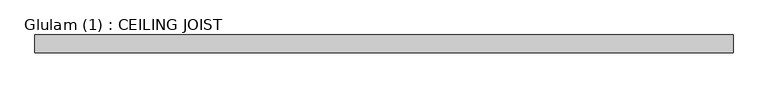
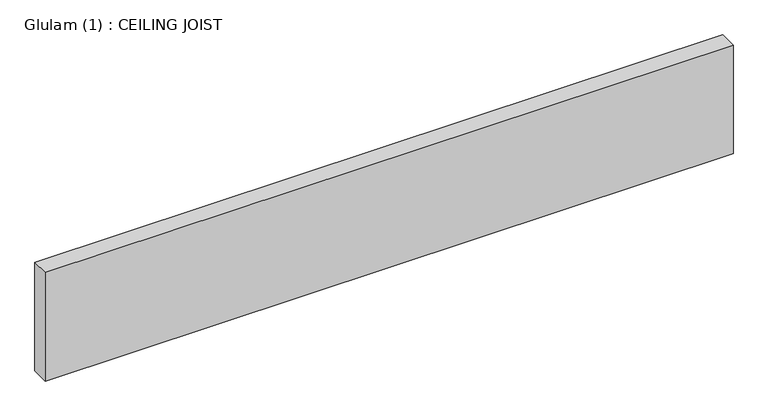
"""IFC4 building model written with IfcOpenShell, lengths in millimetres: beam geometry, Glulam (1) : CEILING JOIST."""

from ifc_helpers import new_model, si_unit, frame, origin, place, context, project, spatial, polyline, outline, extrude, source, transform, mapped, element, save


def glulam_1_ceiling_joist_4171e194(model_context):
    return source(origin(), model_context, "Body", "SweptSolid", [
        extrude(outline(polyline([(880.0, 22.5), (880.0, -22.5), (-857.0, -22.5), (-857.0, 22.5), (880.0, 22.5)])), frame((0.0, 0.0, -145.0), z_axis=(0.0, 0.0, 1.0), x_axis=(1.0, 0.0, 0.0)), (0.0, 0.0, 1.0), 290.0),
    ])


if __name__ == "__main__":
    model = new_model("IFC4")
    model_context = context("Model", 3, world=origin())
    ifc_project = project(units=[si_unit("LENGTHUNIT", "METRE", prefix="MILLI")], contexts=[model_context])
    site = spatial("IfcSite", under=ifc_project)
    building = spatial("IfcBuilding", under=site)
    placement = place(None, origin())
    glulam_1_ceiling_joist_shape = glulam_1_ceiling_joist_4171e194(model_context)
    element("IfcBeam", 1, ObjectType="Glulam (1) : CEILING JOIST", at=placement, inside=building, context=model_context, shape_type="MappedRepresentation", body=[
        mapped(glulam_1_ceiling_joist_shape, transform((0.0, 0.0, 0.0), x_axis=(1.0, 0.0, 0.0), y_axis=(0.0, 1.0, 0.0), z_axis=(0.0, 0.0, 1.0))),
    ])
    save(model, "model.ifc")
